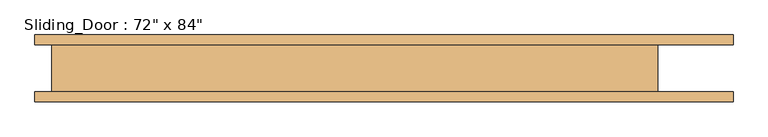
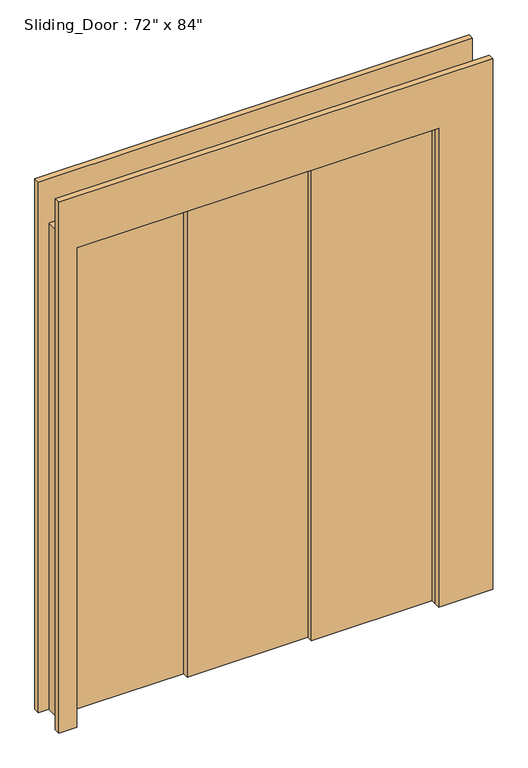
"""IFC4 building model written with IfcOpenShell, lengths in millimetres: door geometry."""

from ifc_helpers import new_model, si_unit, frame, origin, origin_with_axes, place, context, project, spatial, polyline, outline, extrude, source, transform, mapped, element, save


def door_6906c93b(model_context):
    return source(origin(), model_context, "Body", "SweptSolid", [
        extrude(outline(polyline([(761.5183972, -38.1), (253.8394657, -38.1), (253.8394657, -12.7), (761.5183972, -12.7), (761.5183972, -38.1)])), origin_with_axes(), (0.0, 0.0, 1.0), 2133.6),
        extrude(outline(polyline([(253.8394657, -12.7), (-253.8394657, -12.7), (-253.8394657, 12.7), (253.8394657, 12.7), (253.8394657, -12.7)])), origin_with_axes(), (0.0, 0.0, 1.0), 2133.6),
        extrude(outline(polyline([(-253.8394657, 12.7), (-761.5183972, 12.7), (-761.5183972, 38.1), (-253.8394657, 38.1), (-253.8394657, 12.7)])), origin_with_axes(), (0.0, 0.0, 1.0), 2133.6),
        extrude(outline(polyline([(2362.3541464, -837.7183972), (0.0, -837.7183972), (0.0, -761.5183972), (2133.6, -761.5183972), (2133.6, 761.5183972), (0.0, 761.5183972), (0.0, 990.2725437), (2362.3541464, 990.2725437), (2362.3541464, -837.7183972)])), frame((0.0, 61.9125, 0.0), z_axis=(0.0, 1.0, 0.0), x_axis=(0.0, 0.0, 1.0)), (0.0, 0.0, 1.0), 25.4),
        extrude(outline(polyline([(2362.3541464, 990.2725437), (2362.3541464, -837.7183972), (0.0, -837.7183972), (0.0, -761.5183972), (2133.6, -761.5183972), (2133.6, 761.5183972), (0.0, 761.5183972), (0.0, 990.2725437), (2362.3541464, 990.2725437)])), frame((0.0, -87.3125, 0.0), z_axis=(0.0, 1.0, 0.0), x_axis=(0.0, 0.0, 1.0)), (0.0, 0.0, 1.0), 25.4),
        extrude(outline(polyline([(0.0, -793.2683972), (0.0, -761.5183972), (2133.6, -761.5183972), (2133.6, 761.5183972), (0.0, 761.5183972), (0.0, 793.2683972), (2165.35, 793.2683972), (2165.35, -793.2683972), (0.0, -793.2683972)])), frame((0.0, -61.9125, 0.0), z_axis=(0.0, 1.0, 0.0), x_axis=(0.0, 0.0, 1.0)), (0.0, 0.0, 1.0), 123.825),
    ])


if __name__ == "__main__":
    model = new_model("IFC4")
    model_context = context("Model", 3, world=origin())
    ifc_project = project(units=[si_unit("LENGTHUNIT", "METRE", prefix="MILLI")], contexts=[model_context])
    site = spatial("IfcSite", under=ifc_project)
    building = spatial("IfcBuilding", under=site)
    placement = place(None, origin())
    door_shape = door_6906c93b(model_context)
    element("IfcDoor", 1, ObjectType="Sliding_Door : 72\" x 84\"", at=placement, inside=building, context=model_context, shape_type="MappedRepresentation", body=[
        mapped(door_shape, transform((0.0, 0.0, 0.0), x_axis=(1.0, 0.0, 0.0), y_axis=(0.0, 1.0, 0.0), z_axis=(0.0, 0.0, 1.0))),
    ])
    save(model, "model.ifc")
